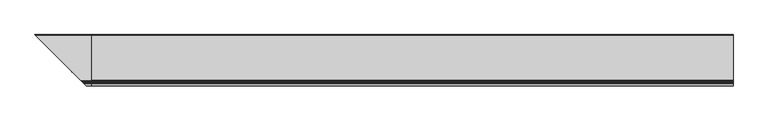
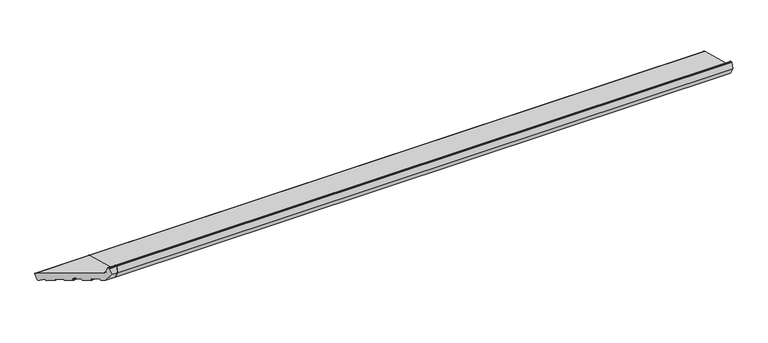
"""IFC4 building model written with IfcOpenShell, lengths in millimetres: proxy geometry."""

from ifc_helpers import new_model, si_unit, point, frame, frame_2d, origin, place, context, project, spatial, polyline, circle_curve, ellipse_curve, trimmed, segment, composite_curve, outline, extrude, source, transform, mapped, element, save
from ifc_brep_helpers import plane_surface, cylinder_surface, revolved_surface, advanced_brep


def generic_models_23b0bf7d(model_context):
    return source(origin(), model_context, "Body", "SolidModel", [
        advanced_brep(
        [(0.0, 27.5646181, 4.649359), (0.0, 31.2388527, 6.7706794), (0.0, 37.9681479, 31.8847509), (0.0, 35.8468275, 35.5589855), (0.0, -149.1626434, 85.1321238), (0.0, -153.4052841, 89.3747645), (0.0, -158.1879801, 107.2240293), (0.0, -159.6368689, 108.3358007), (0.0, -162.9802434, 108.3358007), (0.0, -164.4291321, 107.2240293), (0.0, -171.0, 82.7012164), (0.0, -153.3223305, 52.0825946), (0.0, -140.7652947, 48.717947), (0.0, -139.5405499, 49.4250538), (0.0, -138.5052737, 53.2887571), (0.0, -137.2805288, 53.9958639), (0.0, -114.098309, 47.7842068), (0.0, -113.3912022, 46.559462), (0.0, -114.4264784, 42.6957587), (0.0, -113.7193716, 41.4710138), (0.0, -91.5030776, 35.5181757), (0.0, -90.2783327, 36.2252825), (0.0, -89.2430565, 40.0889858), (0.0, -88.0183117, 40.7960926), (0.0, -64.8360918, 34.5844355), (0.0, -64.1289851, 33.3596907), (0.0, -65.1642612, 29.4959874), (0.0, -64.4571545, 28.2712425), (0.0, -42.2408604, 22.3184044), (0.0, -41.0161156, 23.0255112), (0.0, -39.9808394, 26.8892145), (0.0, -38.7560945, 27.5963213), (0.0, -15.5738747, 21.3846642), (0.0, -14.8667679, 20.1599194), (0.0, -15.9020441, 16.2962161), (0.0, -15.1949373, 15.0714712), (0.0, 7.0213567, 9.1186331), (0.0, 8.2461016, 9.8257399), (0.0, 9.195355, 13.368402), (0.0, 10.6796108, 13.9647636), (0.0, 24.8478405, 5.3773174), (-220.5646181, 27.5646181, 4.649359), (-224.2388527, 31.2388527, 6.7706794), (-230.9681479, 37.9681479, 31.8847509), (-228.8468275, 35.8468275, 35.5589855), (-43.8373566, -149.1626434, 85.1321238), (-39.5947159, -153.4052841, 89.3747645), (-34.8120199, -158.1879801, 107.2240293), (-33.3631311, -159.6368689, 108.3358007), (-30.0197566, -162.9802434, 108.3358007), (-28.5708679, -164.4291321, 107.2240293), (-22.0, -171.0, 82.7012164), (-39.6776695, -153.3223305, 52.0825946), (-52.2347053, -140.7652947, 48.717947), (-53.4594501, -139.5405499, 49.4250538), (-54.4947263, -138.5052737, 53.2887571), (-55.7194712, -137.2805288, 53.9958639), (-78.901691, -114.098309, 47.7842068), (-79.6087978, -113.3912022, 46.559462), (-78.5735216, -114.4264784, 42.6957587), (-79.2806284, -113.7193716, 41.4710138), (-101.4969224, -91.5030776, 35.5181757), (-102.7216673, -90.2783327, 36.2252825), (-103.7569435, -89.2430565, 40.0889858), (-104.9816883, -88.0183117, 40.7960926), (-217.8478405, 24.8478405, 5.3773174), (-128.1639082, -64.8360918, 34.5844355), (-127.8357388, -65.1642612, 29.4959874), (-128.5428455, -64.4571545, 28.2712425), (-128.8710149, -64.1289851, 33.3596907), (-150.7591396, -42.2408604, 22.3184044), (-151.9838844, -41.0161156, 23.0255112), (-153.0191606, -39.9808394, 26.8892145), (-154.2439055, -38.7560945, 27.5963213), (-177.4261253, -15.5738747, 21.3846642), (-203.6796108, 10.6796108, 13.9647636), (-202.195355, 9.195355, 13.368402), (-201.2461016, 8.2461016, 9.8257399), (-200.0213567, 7.0213567, 9.1186331), (-177.8050627, -15.1949373, 15.0714712), (-177.0979559, -15.9020441, 16.2962161), (-178.1332321, -14.8667679, 20.1599194)],
        [
            (0, 1, circle_curve(frame((0.0, 28.3410752, 7.5471365), z_axis=(1.0, 0.0, 0.0), x_axis=(0.0, 1.0, 0.0)), 3.0)),
            (1, 2),
            (2, 3, circle_curve(frame((0.0, 35.0703704, 32.661208), z_axis=(1.0, 0.0, 0.0), x_axis=(0.0, 1.0, 0.0)), 3.0)),
            (3, 4),
            (4, 5, circle_curve(frame((0.0, -147.6097291, 90.9276787), z_axis=(-1.0, 0.0, 0.0), x_axis=(0.0, 1.0, 0.0)), 6.0)),
            (5, 6),
            (6, 7, circle_curve(frame((0.0, -159.6368689, 106.8358007), z_axis=(1.0, 0.0, 0.0), x_axis=(0.0, 1.0, 0.0)), 1.5)),
            (7, 8),
            (8, 9, circle_curve(frame((0.0, -162.9802434, 106.8358007), z_axis=(1.0, 0.0, 0.0), x_axis=(0.0, 1.0, 0.0)), 1.5)),
            (9, 10),
            (10, 11),
            (11, 12),
            (12, 13, circle_curve(frame((0.0, -140.5064757, 49.6838729), z_axis=(1.0, 0.0, 0.0), x_axis=(0.0, 1.0, 0.0)), 1.0)),
            (13, 14),
            (14, 15, circle_curve(frame((0.0, -137.5393479, 53.0299381), z_axis=(-1.0, 0.0, 0.0), x_axis=(0.0, 1.0, 0.0)), 1.0)),
            (15, 16),
            (16, 17, circle_curve(frame((0.0, -114.357128, 46.818281), z_axis=(-1.0, 0.0, 0.0), x_axis=(0.0, 1.0, 0.0)), 1.0)),
            (17, 18),
            (18, 19, circle_curve(frame((0.0, -113.4605525, 42.4369396), z_axis=(1.0, 0.0, 0.0), x_axis=(0.0, 1.0, 0.0)), 1.0)),
            (19, 20),
            (20, 21, circle_curve(frame((0.0, -91.2442585, 36.4841016), z_axis=(1.0, 0.0, 0.0), x_axis=(0.0, 1.0, 0.0)), 1.0)),
            (21, 22),
            (22, 23, circle_curve(frame((0.0, -88.2771307, 39.8301668), z_axis=(-1.0, 0.0, 0.0), x_axis=(0.0, 1.0, 0.0)), 1.0)),
            (23, 24),
            (24, 25, circle_curve(frame((0.0, -65.0949109, 33.6185097), z_axis=(-1.0, 0.0, 0.0), x_axis=(0.0, 1.0, 0.0)), 1.0)),
            (25, 26),
            (26, 27, circle_curve(frame((0.0, -64.1983354, 29.2371683), z_axis=(1.0, 0.0, 0.0), x_axis=(0.0, 1.0, 0.0)), 1.0)),
            (27, 28),
            (28, 29, circle_curve(frame((0.0, -41.9820414, 23.2843303), z_axis=(1.0, 0.0, 0.0), x_axis=(0.0, 1.0, 0.0)), 1.0)),
            (29, 30),
            (30, 31, circle_curve(frame((0.0, -39.0149136, 26.6303955), z_axis=(-1.0, 0.0, 0.0), x_axis=(0.0, 1.0, 0.0)), 1.0)),
            (31, 32),
            (32, 33, circle_curve(frame((0.0, -15.8326937, 20.4187384), z_axis=(-1.0, 0.0, 0.0), x_axis=(0.0, 1.0, 0.0)), 1.0)),
            (33, 34),
            (34, 35, circle_curve(frame((0.0, -14.9361183, 16.037397), z_axis=(1.0, 0.0, 0.0), x_axis=(0.0, 1.0, 0.0)), 1.0)),
            (35, 36),
            (36, 37, circle_curve(frame((0.0, 7.2801757, 10.084559), z_axis=(1.0, 0.0, 0.0), x_axis=(0.0, 1.0, 0.0)), 1.0)),
            (37, 38),
            (38, 39, circle_curve(frame((0.0, 10.1612808, 13.1095829), z_axis=(-1.0, 0.0, 0.0), x_axis=(0.0, 1.0, 0.0)), 1.0)),
            (39, 40),
            (40, 0),
            (0, 41),
            (41, 42, ellipse_curve(frame((-221.3410752, 28.3410752, 7.5471365), z_axis=(0.707106781186548, 0.7071067811865471, 0.0), x_axis=(-0.707106781186547, 0.707106781186548, 0.0)), 4.2426407, 3.0)),
            (42, 1),
            (42, 43),
            (43, 2),
            (43, 44, ellipse_curve(frame((-228.0703704, 35.0703704, 32.661208), z_axis=(0.707106781186548, 0.7071067811865471, 0.0), x_axis=(-0.707106781186547, 0.707106781186548, 0.0)), 4.2426407, 3.0)),
            (44, 3),
            (44, 45),
            (45, 4),
            (45, 46, ellipse_curve(frame((-45.3902709, -147.6097291, 90.9276787), z_axis=(-0.707106781186548, -0.7071067811865471, 0.0), x_axis=(0.707106781186547, -0.707106781186548, 0.0)), 8.4852814, 6.0)),
            (46, 5),
            (46, 47),
            (47, 6),
            (47, 48, ellipse_curve(frame((-33.3631311, -159.6368689, 106.8358007), z_axis=(0.707106781186548, 0.7071067811865471, 0.0), x_axis=(-0.707106781186547, 0.707106781186548, 0.0)), 2.1213203, 1.5)),
            (48, 7),
            (48, 49),
            (49, 8),
            (49, 50, ellipse_curve(frame((-30.0197566, -162.9802434, 106.8358007), z_axis=(0.707106781186548, 0.7071067811865471, 0.0), x_axis=(-0.707106781186547, 0.707106781186548, 0.0)), 2.1213203, 1.5)),
            (50, 9),
            (50, 51),
            (51, 10),
            (51, 52),
            (52, 11),
            (52, 53),
            (53, 12),
            (53, 54, ellipse_curve(frame((-52.4935243, -140.5064757, 49.6838729), z_axis=(0.707106781186548, 0.7071067811865471, 0.0), x_axis=(-0.707106781186547, 0.707106781186548, 0.0)), 1.4142136, 1.0)),
            (54, 13),
            (54, 55),
            (55, 14),
            (55, 56, ellipse_curve(frame((-55.4606521, -137.5393479, 53.0299381), z_axis=(-0.707106781186548, -0.7071067811865471, 0.0), x_axis=(0.707106781186547, -0.707106781186548, 0.0)), 1.4142136, 1.0)),
            (56, 15),
            (56, 57),
            (57, 16),
            (57, 58, ellipse_curve(frame((-78.642872, -114.357128, 46.818281), z_axis=(-0.707106781186548, -0.7071067811865471, 0.0), x_axis=(0.707106781186547, -0.707106781186548, 0.0)), 1.4142136, 1.0)),
            (58, 17),
            (58, 59),
            (59, 18),
            (59, 60, ellipse_curve(frame((-79.5394475, -113.4605525, 42.4369396), z_axis=(0.707106781186548, 0.7071067811865471, 0.0), x_axis=(-0.707106781186547, 0.707106781186548, 0.0)), 1.4142136, 1.0)),
            (60, 19),
            (60, 61),
            (61, 20),
            (61, 62, ellipse_curve(frame((-101.7557415, -91.2442585, 36.4841016), z_axis=(0.707106781186548, 0.7071067811865471, 0.0), x_axis=(-0.707106781186547, 0.707106781186548, 0.0)), 1.4142136, 1.0)),
            (62, 21),
            (62, 63),
            (63, 22),
            (63, 64, ellipse_curve(frame((-104.7228693, -88.2771307, 39.8301668), z_axis=(-0.707106781186548, -0.7071067811865471, 0.0), x_axis=(0.707106781186547, -0.707106781186548, 0.0)), 1.4142136, 1.0)),
            (64, 23),
            (40, 65),
            (65, 41),
            (64, 66),
            (66, 24),
            (26, 67),
            (67, 68, ellipse_curve(frame((-128.8016646, -64.1983354, 29.2371683), z_axis=(0.707106781186548, 0.7071067811865471, 0.0), x_axis=(-0.707106781186547, 0.707106781186548, 0.0)), 1.4142136, 1.0)),
            (68, 27),
            (25, 69),
            (69, 67),
            (66, 69, ellipse_curve(frame((-127.9050891, -65.0949109, 33.6185097), z_axis=(-0.707106781186548, -0.7071067811865471, 0.0), x_axis=(0.707106781186547, -0.707106781186548, 0.0)), 1.4142136, 1.0)),
            (68, 70),
            (70, 28),
            (70, 71, ellipse_curve(frame((-151.0179586, -41.9820414, 23.2843303), z_axis=(0.707106781186548, 0.7071067811865471, 0.0), x_axis=(-0.707106781186547, 0.707106781186548, 0.0)), 1.4142136, 1.0)),
            (71, 29),
            (71, 72),
            (72, 30),
            (72, 73, ellipse_curve(frame((-153.9850864, -39.0149136, 26.6303955), z_axis=(-0.707106781186548, -0.7071067811865471, 0.0), x_axis=(0.707106781186547, -0.707106781186548, 0.0)), 1.4142136, 1.0)),
            (73, 31),
            (73, 74),
            (74, 32),
            (65, 75),
            (75, 76, ellipse_curve(frame((-203.1612808, 10.1612808, 13.1095829), z_axis=(0.707106781186548, 0.7071067811865471, 0.0), x_axis=(0.707106781186547, -0.707106781186548, 0.0)), 1.4142136, 1.0)),
            (76, 77),
            (77, 78, ellipse_curve(frame((-200.2801757, 7.2801757, 10.084559), z_axis=(-0.707106781186548, -0.7071067811865471, 0.0), x_axis=(-0.707106781186547, 0.707106781186548, 0.0)), 1.4142136, 1.0)),
            (78, 79),
            (79, 80, ellipse_curve(frame((-178.0638817, -14.9361183, 16.037397), z_axis=(-0.707106781186548, -0.7071067811865471, 0.0), x_axis=(-0.707106781186547, 0.707106781186548, 0.0)), 1.4142136, 1.0)),
            (80, 81),
            (81, 74, ellipse_curve(frame((-177.1673063, -15.8326937, 20.4187384), z_axis=(0.707106781186548, 0.7071067811865471, 0.0), x_axis=(0.707106781186547, -0.707106781186548, 0.0)), 1.4142136, 1.0)),
            (39, 75),
            (38, 76),
            (37, 77),
            (36, 78),
            (35, 79),
            (34, 80),
            (33, 81),
        ],
        [
            plane_surface(frame((0.0, 0.0, 0.0), z_axis=(1.0, 0.0, 0.0), x_axis=(0.0, 0.0, 1.0))),
            cylinder_surface(frame((-231.2117918, 28.3410752, 7.5471365), z_axis=(-1.0, 0.0, 0.0), x_axis=(0.0, 1.0, 0.0)), 3.0),
            plane_surface(frame((-231.2117918, 37.9681479, 31.8847509), z_axis=(0.0, 0.9659258262890688, -0.2588190451025192), x_axis=(1.0, 0.0, 0.0))),
            cylinder_surface(frame((-231.2117918, 35.0703704, 32.661208), z_axis=(-1.0, 0.0, 0.0), x_axis=(0.0, 1.0, 0.0)), 3.0),
            plane_surface(frame((-231.2117918, -149.1626434, 85.1321238), z_axis=(0.0, 0.2588190451025207, 0.9659258262890683), x_axis=(1.0, 0.0, 0.0))),
            revolved_surface(polyline([(0.0, -141.6097291, 90.9276787), (-51.39027091821606, -141.6097291, 90.9276787)]), (-231.2117918, -147.6097291, 90.9276787), (1.0, 0.0, 0.0)),
            plane_surface(frame((-231.2117918, -158.1879801, 107.2240293), z_axis=(0.0, 0.9659258262890698, 0.25881904510251524), x_axis=(1.0, 0.0, 0.0))),
            cylinder_surface(frame((-231.2117918, -159.6368689, 106.8358007), z_axis=(-1.0, 0.0, 0.0), x_axis=(0.0, 1.0, 0.0)), 1.5),
            plane_surface(frame((-231.2117918, -162.9802434, 108.3358007), z_axis=(0.0, 0.0, 1.0), x_axis=(1.0, 0.0, 0.0))),
            cylinder_surface(frame((-231.2117918, -162.9802434, 106.8358007), z_axis=(-1.0, 0.0, 0.0), x_axis=(0.0, 1.0, 0.0)), 1.5),
            plane_surface(frame((-231.2117918, -171.0, 82.7012164), z_axis=(0.0, -0.9659258262890683, 0.2588190451025209), x_axis=(1.0, 0.0, 0.0))),
            plane_surface(frame((-231.2117918, -153.3223305, 52.0825946), z_axis=(0.0, -0.8660254037844415, -0.4999999999999952), x_axis=(1.0, 0.0, 0.0))),
            plane_surface(frame((-231.2117918, -140.7652947, 48.717947), z_axis=(0.0, -0.2588190451025172, -0.9659258262890693), x_axis=(1.0, 0.0, 0.0))),
            cylinder_surface(frame((-231.2117918, -140.5064757, 49.6838729), z_axis=(-1.0, 0.0, 0.0), x_axis=(0.0, 1.0, 0.0)), 1.0),
            plane_surface(frame((-231.2117918, -138.5052737, 53.2887571), z_axis=(0.0, 0.9659258262890776, -0.25881904510248605), x_axis=(1.0, 0.0, 0.0))),
            revolved_surface(polyline([(0.0, -136.5393479, 53.0299381), (-56.46065212660625, -136.5393479, 53.0299381)]), (-231.2117918, -137.5393479, 53.0299381), (1.0, 0.0, 0.0)),
            plane_surface(frame((-231.2117918, -114.098309, 47.7842068), z_axis=(0.0, -0.258819045102523, -0.9659258262890678), x_axis=(1.0, 0.0, 0.0))),
            revolved_surface(polyline([(0.0, -113.357128, 46.818281), (-79.64287202660623, -113.357128, 46.818281)]), (-231.2117918, -114.357128, 46.818281), (1.0, 0.0, 0.0)),
            plane_surface(frame((-231.2117918, -114.4264784, 42.6957587), z_axis=(0.0, -0.9659258262890776, 0.25881904510248605), x_axis=(1.0, 0.0, 0.0))),
            cylinder_surface(frame((-231.2117918, -113.4605525, 42.4369396), z_axis=(-1.0, 0.0, 0.0), x_axis=(0.0, 1.0, 0.0)), 1.0),
            plane_surface(frame((-231.2117918, -91.5030776, 35.5181757), z_axis=(0.0, -0.2588190451025226, -0.9659258262890679), x_axis=(1.0, 0.0, 0.0))),
            cylinder_surface(frame((-231.2117918, -91.2442585, 36.4841016), z_axis=(-1.0, 0.0, 0.0), x_axis=(0.0, 1.0, 0.0)), 1.0),
            plane_surface(frame((-231.2117918, -89.2430565, 40.0889858), z_axis=(0.0, 0.9659258262890776, -0.25881904510248605), x_axis=(1.0, 0.0, 0.0))),
            revolved_surface(polyline([(0.0, -87.2771307, 39.8301668), (-105.72286932660624, -87.2771307, 39.8301668)]), (-231.2117918, -88.2771307, 39.8301668), (1.0, 0.0, 0.0)),
            plane_surface(frame((-231.2117918, 27.5646181, 4.649359), z_axis=(0.0, -0.2588190451025255, -0.9659258262890671), x_axis=(1.0, 0.0, 0.0))),
            plane_surface(frame((-231.2117918, -64.8360918, 34.5844355), z_axis=(0.0, -0.2588190451025206, -0.9659258262890683), x_axis=(1.0, 0.0, 0.0))),
            cylinder_surface(frame((-231.2117918, -64.1983354, 29.2371683), z_axis=(-1.0, 0.0, 0.0), x_axis=(0.0, 1.0, 0.0)), 1.0),
            plane_surface(frame((-231.2117918, -65.1642612, 29.4959874), z_axis=(0.0, -0.9659258262890776, 0.25881904510248605), x_axis=(1.0, 0.0, 0.0))),
            revolved_surface(polyline([(0.0, -64.0949109, 33.6185097), (-128.90508912660624, -64.0949109, 33.6185097)]), (-231.2117918, -65.0949109, 33.6185097), (1.0, 0.0, 0.0)),
            plane_surface(frame((-231.2117918, -42.2408604, 22.3184044), z_axis=(0.0, -0.2588190451025198, -0.9659258262890686), x_axis=(1.0, 0.0, 0.0))),
            cylinder_surface(frame((-231.2117918, -41.9820414, 23.2843303), z_axis=(-1.0, 0.0, 0.0), x_axis=(0.0, 1.0, 0.0)), 1.0),
            plane_surface(frame((-231.2117918, -39.9808394, 26.8892145), z_axis=(0.0, 0.9659258262890776, -0.25881904510248605), x_axis=(1.0, 0.0, 0.0))),
            revolved_surface(polyline([(0.0, -38.0149136, 26.6303955), (-154.98508642660624, -38.0149136, 26.6303955)]), (-231.2117918, -39.0149136, 26.6303955), (1.0, 0.0, 0.0)),
            plane_surface(frame((-231.2117918, -15.5738747, 21.3846642), z_axis=(0.0, -0.25881904510252063, -0.9659258262890683), x_axis=(1.0, 0.0, 0.0))),
            plane_surface(frame((-175.6233951, -17.3766049, 0.0), z_axis=(-0.707106781186548, -0.7071067811865471, 0.0), x_axis=(0.0, 0.0, 1.0))),
            plane_surface(frame((-231.2117918, 24.8478405, 5.3773174), z_axis=(0.0, -0.5183299834329768, -0.8551806991942522), x_axis=(1.0, 0.0, 0.0))),
            revolved_surface(polyline([(0.0, 11.1612808, 13.1095829), (-204.16128082660623, 11.1612808, 13.1095829)]), (-231.2117918, 10.1612808, 13.1095829), (1.0, 0.0, 0.0)),
            plane_surface(frame((-231.2117918, 9.195355, 13.368402), z_axis=(0.0, 0.9659258262890607, -0.2588190451025496), x_axis=(1.0, 0.0, 0.0))),
            cylinder_surface(frame((-231.2117918, 7.2801757, 10.084559), z_axis=(-1.0, 0.0, 0.0), x_axis=(0.0, 1.0, 0.0)), 1.0),
            plane_surface(frame((-231.2117918, 7.0213567, 9.1186331), z_axis=(0.0, -0.2588190451025221, -0.965925826289068), x_axis=(1.0, 0.0, 0.0))),
            cylinder_surface(frame((-231.2117918, -14.9361183, 16.037397), z_axis=(-1.0, 0.0, 0.0), x_axis=(0.0, 1.0, 0.0)), 1.0),
            plane_surface(frame((-231.2117918, -15.9020441, 16.2962161), z_axis=(0.0, -0.9659258262890634, 0.2588190451025393), x_axis=(1.0, 0.0, 0.0))),
            revolved_surface(polyline([(0.0, -14.8326937, 20.4187384), (-178.16730632660625, -14.8326937, 20.4187384)]), (-231.2117918, -15.8326937, 20.4187384), (1.0, 0.0, 0.0)),
        ],
        [
            (0, [[1, 2, 3, 4, 5, 6, 7, 8, 9, 10, 11, 12, 13, 14, 15, 16, 17, 18, 19, 20, 21, 22, 23, 24, 25, 26, 27, 28, 29, 30, 31, 32, 33, 34, 35, 36, 37, 38, 39, 40, 41]]),
            (1, [[-1, 42, 43, 44]]),
            (2, [[-2, -44, 45, 46]]),
            (3, [[-3, -46, 47, 48]]),
            (4, [[-4, -48, 49, 50]]),
            (5, [[-5, -50, 51, 52]]),
            (6, [[-6, -52, 53, 54]]),
            (7, [[-7, -54, 55, 56]]),
            (8, [[-8, -56, 57, 58]]),
            (9, [[-9, -58, 59, 60]]),
            (10, [[-10, -60, 61, 62]]),
            (11, [[-11, -62, 63, 64]]),
            (12, [[-12, -64, 65, 66]]),
            (13, [[-13, -66, 67, 68]]),
            (14, [[-14, -68, 69, 70]]),
            (15, [[-15, -70, 71, 72]]),
            (16, [[-16, -72, 73, 74]]),
            (17, [[-17, -74, 75, 76]]),
            (18, [[-18, -76, 77, 78]]),
            (19, [[-19, -78, 79, 80]]),
            (20, [[-20, -80, 81, 82]]),
            (21, [[-21, -82, 83, 84]]),
            (22, [[-22, -84, 85, 86]]),
            (23, [[-23, -86, 87, 88]]),
            (24, [[-41, 89, 90, -42]]),
            (25, [[-24, -88, 91, 92]]),
            (26, [[-27, 93, 94, 95]]),
            (27, [[-26, 96, 97, -93]]),
            (28, [[-25, -92, 98, -96]]),
            (29, [[-28, -95, 99, 100]]),
            (30, [[-29, -100, 101, 102]]),
            (31, [[-30, -102, 103, 104]]),
            (32, [[-31, -104, 105, 106]]),
            (33, [[-32, -106, 107, 108]]),
            (34, [[-43, -90, 109, 110, 111, 112, 113, 114, 115, 116, -107, -105, -103, -101, -99, -94, -97, -98, -91, -87, -85, -83, -81, -79, -77, -75, -73, -71, -69, -67, -65, -63, -61, -59, -57, -55, -53, -51, -49, -47, -45]]),
            (35, [[-40, 117, -109, -89]]),
            (36, [[-39, 118, -110, -117]]),
            (37, [[-38, 119, -111, -118]]),
            (38, [[-37, 120, -112, -119]]),
            (39, [[-36, 121, -113, -120]]),
            (40, [[-35, 122, -114, -121]]),
            (41, [[-34, 123, -115, -122]]),
            (42, [[-33, -108, -116, -123]]),
        ],
    ),
        extrude(outline(composite_curve([segment(polyline([(27.5646181, 4.649359), (24.8478405, 5.3773174), (10.6796108, 13.9647636)]), True, "CONTINUOUS"), segment(trimmed(circle_curve(frame_2d((10.1612808, 13.1095829)), 1.0), [point((10.6796108, 13.9647636))], [point((9.195355, 13.368402))], True, "CARTESIAN"), True, "CONTINUOUS"), segment(polyline([(9.195355, 13.368402), (8.2461016, 9.8257399)]), True, "CONTINUOUS"), segment(trimmed(circle_curve(frame_2d((7.2801757, 10.084559)), 1.0), [point((8.2461016, 9.8257399))], [point((7.0213567, 9.1186331))], False, "CARTESIAN"), True, "CONTINUOUS"), segment(polyline([(7.0213567, 9.1186331), (-15.1949373, 15.0714712)]), True, "CONTINUOUS"), segment(trimmed(circle_curve(frame_2d((-14.9361183, 16.037397)), 1.0), [point((-15.1949373, 15.0714712))], [point((-15.9020441, 16.2962161))], False, "CARTESIAN"), True, "CONTINUOUS"), segment(polyline([(-15.9020441, 16.2962161), (-14.8667679, 20.1599194)]), True, "CONTINUOUS"), segment(trimmed(circle_curve(frame_2d((-15.8326937, 20.4187384)), 1.0), [point((-14.8667679, 20.1599194))], [point((-15.5738747, 21.3846642))], True, "CARTESIAN"), True, "CONTINUOUS"), segment(polyline([(-15.5738747, 21.3846642), (-38.7560945, 27.5963213)]), True, "CONTINUOUS"), segment(trimmed(circle_curve(frame_2d((-39.0149136, 26.6303955)), 1.0), [point((-38.7560945, 27.5963213))], [point((-39.9808394, 26.8892145))], True, "CARTESIAN"), True, "CONTINUOUS"), segment(polyline([(-39.9808394, 26.8892145), (-41.0161156, 23.0255112)]), True, "CONTINUOUS"), segment(trimmed(circle_curve(frame_2d((-41.9820414, 23.2843303)), 1.0), [point((-41.0161156, 23.0255112))], [point((-42.2408604, 22.3184044))], False, "CARTESIAN"), True, "CONTINUOUS"), segment(polyline([(-42.2408604, 22.3184044), (-64.4571545, 28.2712425)]), True, "CONTINUOUS"), segment(trimmed(circle_curve(frame_2d((-64.1983354, 29.2371683)), 1.0), [point((-64.4571545, 28.2712425))], [point((-65.1642612, 29.4959874))], False, "CARTESIAN"), True, "CONTINUOUS"), segment(polyline([(-65.1642612, 29.4959874), (-64.1289851, 33.3596907)]), True, "CONTINUOUS"), segment(trimmed(circle_curve(frame_2d((-65.0949109, 33.6185097)), 1.0), [point((-64.1289851, 33.3596907))], [point((-64.8360918, 34.5844355))], True, "CARTESIAN"), True, "CONTINUOUS"), segment(polyline([(-64.8360918, 34.5844355), (-88.0183117, 40.7960926)]), True, "CONTINUOUS"), segment(trimmed(circle_curve(frame_2d((-88.2771307, 39.8301668)), 1.0), [point((-88.0183117, 40.7960926))], [point((-89.2430565, 40.0889858))], True, "CARTESIAN"), True, "CONTINUOUS"), segment(polyline([(-89.2430565, 40.0889858), (-90.2783327, 36.2252825)]), True, "CONTINUOUS"), segment(trimmed(circle_curve(frame_2d((-91.2442585, 36.4841016)), 1.0), [point((-90.2783327, 36.2252825))], [point((-91.5030776, 35.5181757))], False, "CARTESIAN"), True, "CONTINUOUS"), segment(polyline([(-91.5030776, 35.5181757), (-113.7193716, 41.4710138)]), True, "CONTINUOUS"), segment(trimmed(circle_curve(frame_2d((-113.4605525, 42.4369396)), 1.0), [point((-113.7193716, 41.4710138))], [point((-114.4264784, 42.6957587))], False, "CARTESIAN"), True, "CONTINUOUS"), segment(polyline([(-114.4264784, 42.6957587), (-113.3912022, 46.559462)]), True, "CONTINUOUS"), segment(trimmed(circle_curve(frame_2d((-114.357128, 46.818281)), 1.0), [point((-113.3912022, 46.559462))], [point((-114.098309, 47.7842068))], True, "CARTESIAN"), True, "CONTINUOUS"), segment(polyline([(-114.098309, 47.7842068), (-137.2805288, 53.9958639)]), True, "CONTINUOUS"), segment(trimmed(circle_curve(frame_2d((-137.5393479, 53.0299381)), 1.0), [point((-137.2805288, 53.9958639))], [point((-138.5052737, 53.2887571))], True, "CARTESIAN"), True, "CONTINUOUS"), segment(polyline([(-138.5052737, 53.2887571), (-139.5405499, 49.4250538)]), True, "CONTINUOUS"), segment(trimmed(circle_curve(frame_2d((-140.5064757, 49.6838729)), 1.0), [point((-139.5405499, 49.4250538))], [point((-140.7652947, 48.717947))], False, "CARTESIAN"), True, "CONTINUOUS"), segment(polyline([(-140.7652947, 48.717947), (-153.3223305, 52.0825946), (-171.0, 82.7012164), (-164.4291321, 107.2240293)]), True, "CONTINUOUS"), segment(trimmed(circle_curve(frame_2d((-162.9802434, 106.8358007)), 1.5), [point((-164.4291321, 107.2240293))], [point((-162.9802434, 108.3358007))], False, "CARTESIAN"), True, "CONTINUOUS"), segment(polyline([(-162.9802434, 108.3358007), (-159.6368689, 108.3358007)]), True, "CONTINUOUS"), segment(trimmed(circle_curve(frame_2d((-159.6368689, 106.8358007)), 1.5), [point((-159.6368689, 108.3358007))], [point((-158.1879801, 107.2240293))], False, "CARTESIAN"), True, "CONTINUOUS"), segment(polyline([(-158.1879801, 107.2240293), (-153.4052841, 89.3747645)]), True, "CONTINUOUS"), segment(trimmed(circle_curve(frame_2d((-147.6097291, 90.9276787)), 6.0), [point((-153.4052841, 89.3747645))], [point((-149.1626434, 85.1321238))], True, "CARTESIAN"), True, "CONTINUOUS"), segment(polyline([(-149.1626434, 85.1321238), (35.8468275, 35.5589855)]), True, "CONTINUOUS"), segment(trimmed(circle_curve(frame_2d((35.0703704, 32.661208)), 3.0), [point((35.8468275, 35.5589855))], [point((37.9681479, 31.8847509))], False, "CARTESIAN"), True, "CONTINUOUS"), segment(polyline([(37.9681479, 31.8847509), (31.2388527, 6.7706794)]), True, "CONTINUOUS"), segment(trimmed(circle_curve(frame_2d((28.3410752, 7.5471365)), 3.0), [point((31.2388527, 6.7706794))], [point((27.5646181, 4.649359))], False, "CARTESIAN"), True, "CONTINUOUS")], self_intersect=False)), frame((0.0, 0.0, 0.0), z_axis=(1.0, 0.0, 0.0), x_axis=(0.0, 1.0, 0.0)), (0.0, 0.0, 1.0), 2620.0),
    ])


if __name__ == "__main__":
    model = new_model("IFC4")
    model_context = context("Model", 3, world=origin())
    ifc_project = project(units=[si_unit("LENGTHUNIT", "METRE", prefix="MILLI")], contexts=[model_context])
    site = spatial("IfcSite", under=ifc_project)
    building = spatial("IfcBuilding", under=site)
    placement = place(None, origin())
    generic_models_shape = generic_models_23b0bf7d(model_context)
    element("IfcBuildingElementProxy", 1, Name="Generic Models", at=placement, inside=building, context=model_context, shape_type="MappedRepresentation", body=[
        mapped(generic_models_shape, transform((0.0, 0.0, 0.0), x_axis=(1.0, 0.0, 0.0), y_axis=(0.0, 1.0, 0.0), z_axis=(0.0, 0.0, 1.0))),
    ])
    save(model, "model.ifc")
